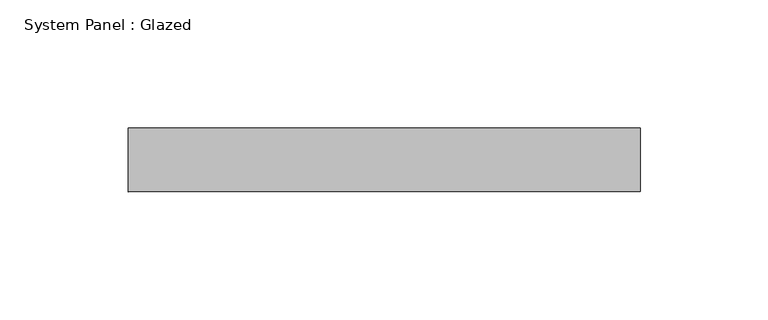
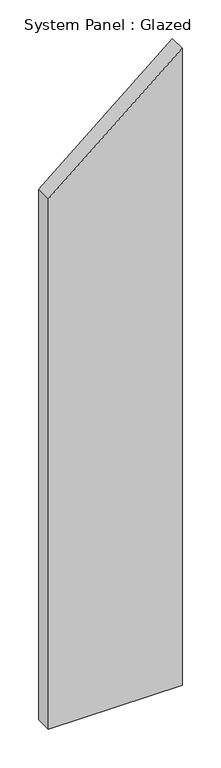
"""IFC4 building model written with IfcOpenShell, lengths in millimetres: plate geometry, System Panel : Glazed."""

from ifc_helpers import new_model, si_unit, frame, origin, place, context, project, spatial, polyline, outline, extrude, source, transform, mapped, element, save


def system_panel_glazed_68d28902(model_context):
    return source(origin(), model_context, "Body", "SweptSolid", [
        extrude(outline(polyline([(0.0, -100.0), (0.0, 100.0), (1006.9195577, 100.0), (839.0996314, -100.0), (0.0, -100.0)])), frame((0.0, 24.5, 0.0), z_axis=(0.0, 1.0, 0.0), x_axis=(0.0, 0.0, 1.0)), (0.0, 0.0, 1.0), 25.0),
    ])


if __name__ == "__main__":
    model = new_model("IFC4")
    model_context = context("Model", 3, world=origin())
    ifc_project = project(units=[si_unit("LENGTHUNIT", "METRE", prefix="MILLI")], contexts=[model_context])
    site = spatial("IfcSite", under=ifc_project)
    building = spatial("IfcBuilding", under=site)
    placement = place(None, origin())
    system_panel_glazed_shape = system_panel_glazed_68d28902(model_context)
    element("IfcPlate", 1, ObjectType="System Panel : Glazed", at=placement, inside=building, context=model_context, shape_type="MappedRepresentation", body=[
        mapped(system_panel_glazed_shape, transform((0.0, 0.0, 0.0), x_axis=(1.0, 0.0, 0.0), y_axis=(0.0, 1.0, 0.0), z_axis=(0.0, 0.0, 1.0))),
    ])
    save(model, "model.ifc")
